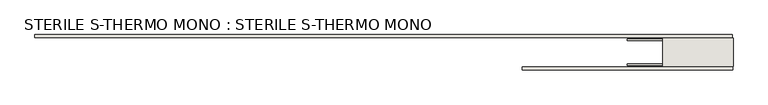
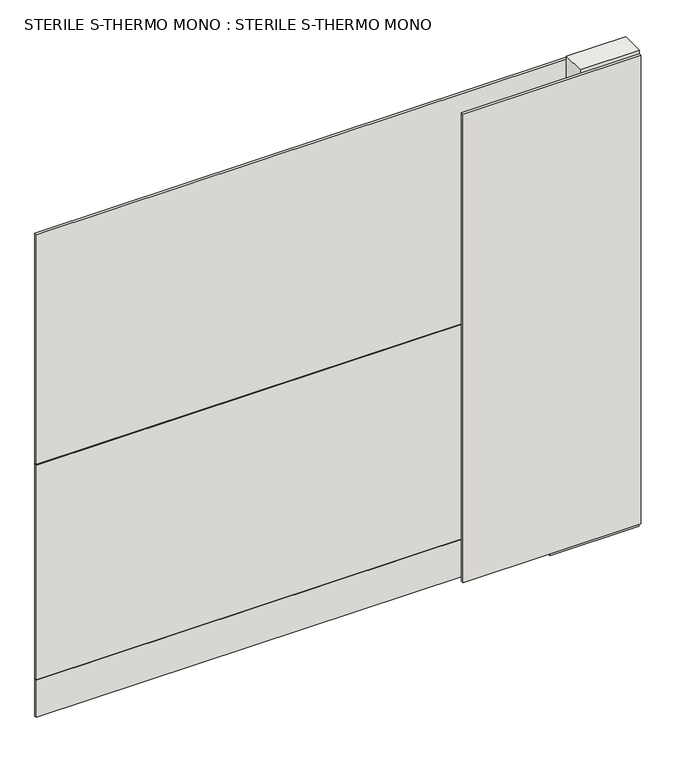
"""IFC4 building model written with IfcOpenShell, lengths in millimetres: wall geometry, STERILE S-THERMO MONO : STERILE S-THERMO MONO."""

from ifc_helpers import new_model, si_unit, frame, origin, place, context, project, spatial, polyline, outline, extrude, source, transform, mapped, element, save


def sterile_s_thermo_mono_sterile_s_thermo_mono_f6174cc0(model_context):
    return source(origin(), model_context, "Body", "SweptSolid", [
        extrude(outline(polyline([(86731.7801048, -44119.5873004), (86734.3201048, -44119.5873004), (86734.3201048, -44122.1273004), (86731.7801048, -44122.1273004), (86731.7801048, -44119.5873004)])), frame((0.0, 0.0, 4419.6), z_axis=(0.0, 0.0, 1.0), x_axis=(1.0, 0.0, 0.0)), (0.0, 0.0, 1.0), 2.54),
        extrude(outline(polyline([(86732.3213534, -44197.0573004), (85818.7463454, -44197.0573004), (85818.7463454, -44184.3573004), (86732.3213534, -44184.3573004), (86732.3213534, -44197.0573004)])), frame((0.0, 0.0, 4445.0), z_axis=(0.0, 0.0, 1.0), x_axis=(1.0, 0.0, 0.0)), (0.0, 0.0, 1.0), 2545.0498756),
        extrude(outline(polyline([(83705.5442472, -44044.6573004), (86729.8572232, -44044.6573004), (86729.8572232, -44057.3573004), (83705.5442472, -44057.3573004), (83705.5442472, -44044.6573004)])), frame((0.0, 0.0, 4573.9999706), z_axis=(0.0, 0.0, 1.0), x_axis=(1.0, 0.0, 0.0)), (0.0, 0.0, 1.0), 1164.400008),
        extrude(outline(polyline([(83705.5442472, -44044.6573004), (86729.8572232, -44044.6573004), (86729.8572232, -44057.3573004), (83705.5442472, -44057.3573004), (83705.5442472, -44044.6573004)])), frame((0.0, 0.0, 4368.1000014), z_axis=(0.0, 0.0, 1.0), x_axis=(1.0, 0.0, 0.0)), (0.0, 0.0, 1.0), 201.9000026),
        extrude(outline(polyline([(83705.5442472, -44044.6573004), (86729.8572232, -44044.6573004), (86729.8572232, -44057.3573004), (83705.5442472, -44057.3573004), (83705.5442472, -44044.6573004)])), frame((0.0, 0.0, 5742.4000722), z_axis=(0.0, 0.0, 1.0), x_axis=(1.0, 0.0, 0.0)), (0.0, 0.0, 1.0), 1247.649905),
        extrude(outline(polyline([(86275.5462446, -44172.5564604), (86734.3213494, -44172.5564604), (86734.3213494, -44177.6352412), (86275.5462446, -44177.6352412), (86275.5462446, -44172.5564604)])), frame((0.0, 0.0, 4418.6602), z_axis=(0.0, 0.0, 1.0), x_axis=(1.0, 0.0, 0.0)), (0.0, 0.0, 1.0), 47.625),
        extrude(outline(polyline([(86275.5462446, -44172.5564604), (86734.3213494, -44172.5564604), (86734.3213494, -44177.6352412), (86275.5462446, -44177.6352412), (86275.5462446, -44172.5564604)])), frame((0.0, 0.0, 4418.6602), z_axis=(0.0, 0.0, 1.0), x_axis=(1.0, 0.0, 0.0)), (0.0, 0.0, 1.0), 47.625),
        extrude(outline(polyline([(86734.3213494, -44069.1767332), (86275.5462446, -44069.1767332), (86275.5462446, -44064.0979778), (86734.3213494, -44064.0979778), (86734.3213494, -44069.1767332)])), frame((0.0, 0.0, 4418.6602), z_axis=(0.0, 0.0, 1.0), x_axis=(1.0, 0.0, 0.0)), (0.0, 0.0, 1.0), 47.625),
        extrude(outline(polyline([(86734.3213494, -44069.1767332), (86275.5462446, -44069.1767332), (86275.5462446, -44064.0979778), (86734.3213494, -44064.0979778), (86734.3213494, -44069.1767332)])), frame((0.0, 0.0, 4418.6602), z_axis=(0.0, 0.0, 1.0), x_axis=(1.0, 0.0, 0.0)), (0.0, 0.0, 1.0), 47.625),
        extrude(outline(polyline([(86429.5213494, -44181.8272318), (86429.5213494, -44059.9059872), (86734.3213494, -44059.9059872), (86734.3213494, -44181.8272318), (86429.5213494, -44181.8272318)])), frame((0.0, 0.0, 4445.0), z_axis=(0.0, 0.0, 1.0), x_axis=(1.0, 0.0, 0.0)), (0.0, 0.0, 1.0), 2562.4536762),
    ])


if __name__ == "__main__":
    model = new_model("IFC4")
    model_context = context("Model", 3, world=origin())
    ifc_project = project(units=[si_unit("LENGTHUNIT", "METRE", prefix="MILLI")], contexts=[model_context])
    site = spatial("IfcSite", under=ifc_project)
    building = spatial("IfcBuilding", under=site)
    placement = place(None, origin())
    sterile_s_thermo_mono_sterile_s_thermo_mono_shape = sterile_s_thermo_mono_sterile_s_thermo_mono_f6174cc0(model_context)
    element("IfcWall", 1, ObjectType="STERILE S-THERMO MONO : STERILE S-THERMO MONO", at=placement, inside=building, context=model_context, shape_type="MappedRepresentation", body=[
        mapped(sterile_s_thermo_mono_sterile_s_thermo_mono_shape, transform((0.0, 0.0, 0.0), x_axis=(1.0, 0.0, 0.0), y_axis=(0.0, 1.0, 0.0), z_axis=(0.0, 0.0, 1.0))),
    ])
    save(model, "model.ifc")
